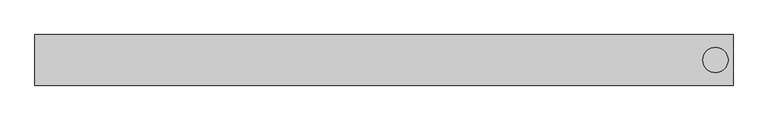
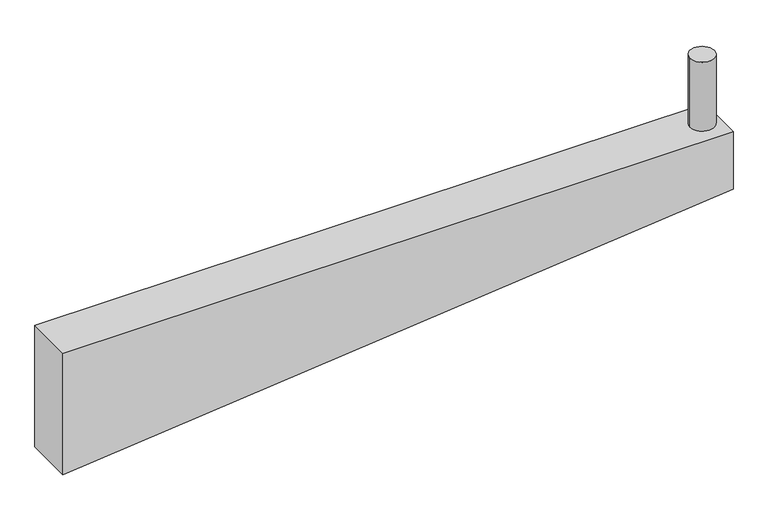
"""IFC4 building model written with IfcOpenShell, lengths in millimetres: beam geometry."""

from ifc_helpers import new_model, si_unit, point, frame, frame_2d, origin, origin_with_axes, place, context, project, spatial, polyline, circle_curve, trimmed, segment, composite_curve, outline, extrude, source, transform, mapped, element, save


def beam_ff9ab60f(model_context):
    return source(origin(), model_context, "Body", "SweptSolid", [
        extrude(outline(composite_curve([segment(trimmed(circle_curve(frame_2d((1310.0, 0.0)), 50.0), [point((1260.0, 0.0))], [point((1360.0, 0.0))], False, "CARTESIAN"), True, "CONTINUOUS"), segment(trimmed(circle_curve(frame_2d((1310.0, 0.0)), 50.0), [point((1360.0, 0.0))], [point((1260.0, 0.0))], False, "CARTESIAN"), True, "CONTINUOUS")], self_intersect=False)), origin_with_axes(), (0.0, 0.0, 1.0), 300.0),
        extrude(outline(polyline([(-250.0, 1380.0), (0.0, 1380.0), (0.0, -1380.0), (-530.0, -1380.0), (-250.0, 1380.0)])), frame((0.0, -100.0, 0.0), z_axis=(0.0, 1.0, 0.0), x_axis=(0.0, 0.0, 1.0)), (0.0, 0.0, 1.0), 200.0),
    ])


if __name__ == "__main__":
    model = new_model("IFC4")
    model_context = context("Model", 3, world=origin())
    ifc_project = project(units=[si_unit("LENGTHUNIT", "METRE", prefix="MILLI")], contexts=[model_context])
    site = spatial("IfcSite", under=ifc_project)
    building = spatial("IfcBuilding", under=site)
    placement = place(None, origin())
    beam_shape = beam_ff9ab60f(model_context)
    element("IfcBeam", 1, at=placement, inside=building, context=model_context, shape_type="MappedRepresentation", body=[
        mapped(beam_shape, transform((0.0, 0.0, 0.0), x_axis=(1.0, 0.0, 0.0), y_axis=(0.0, 1.0, 0.0), z_axis=(0.0, 0.0, 1.0))),
    ])
    save(model, "model.ifc")
